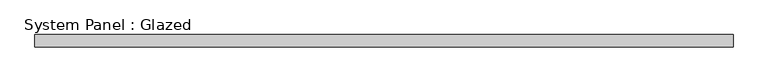
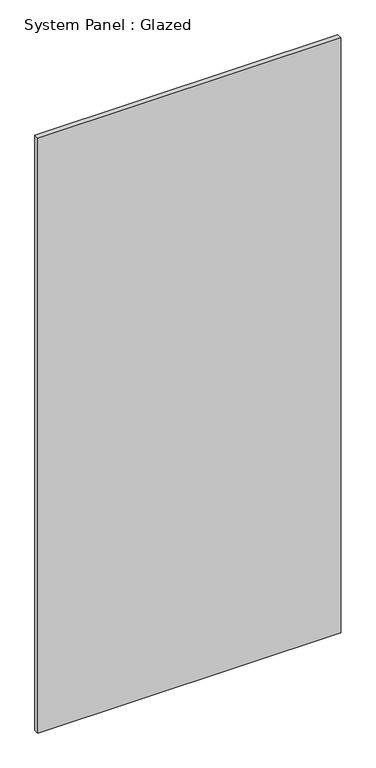
"""IFC4 building model written with IfcOpenShell, lengths in millimetres: plate geometry, System Panel : Glazed."""

from ifc_helpers import new_model, si_unit, origin, origin_with_axes, place, context, project, spatial, polyline, outline, extrude, source, transform, mapped, element, save


def system_panel_glazed_30c725ce(model_context):
    return source(origin(), model_context, "Body", "SweptSolid", [
        extrude(outline(polyline([(710.0, -37.5), (-710.0, -37.5), (-710.0, -12.5), (710.0, -12.5), (710.0, -37.5)])), origin_with_axes(), (0.0, 0.0, 1.0), 2950.0),
    ])


if __name__ == "__main__":
    model = new_model("IFC4")
    model_context = context("Model", 3, world=origin())
    ifc_project = project(units=[si_unit("LENGTHUNIT", "METRE", prefix="MILLI")], contexts=[model_context])
    site = spatial("IfcSite", under=ifc_project)
    building = spatial("IfcBuilding", under=site)
    placement = place(None, origin())
    system_panel_glazed_shape = system_panel_glazed_30c725ce(model_context)
    element("IfcPlate", 1, ObjectType="System Panel : Glazed", at=placement, inside=building, context=model_context, shape_type="MappedRepresentation", body=[
        mapped(system_panel_glazed_shape, transform((0.0, 0.0, 0.0), x_axis=(1.0, 0.0, 0.0), y_axis=(0.0, 1.0, 0.0), z_axis=(0.0, 0.0, 1.0))),
    ])
    save(model, "model.ifc")
